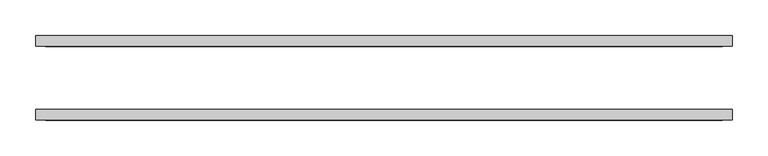
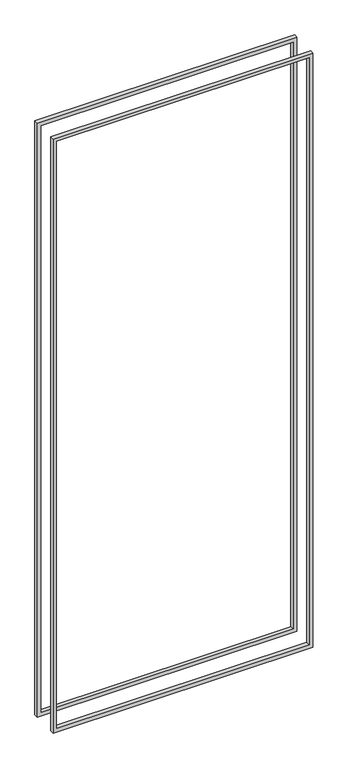
"""IFC4 building model written with IfcOpenShell, lengths in millimetres: proxy geometry."""

from ifc_helpers import new_model, si_unit, frame, origin, place, context, project, spatial, polyline, outline, extrude, source, transform, mapped, element, save


def generic_models_06b75489(model_context):
    return source(origin(), model_context, "Body", "SweptSolid", [
        extrude(outline(polyline([(2392.3625, -649.2875), (26.9875, -649.2875), (26.9875, 328.6125), (2392.3625, 328.6125), (2392.3625, -649.2875)]), holes=[polyline([(2378.075, 314.325), (41.275, 314.325), (41.275, -635.0), (2378.075, -635.0), (2378.075, 314.325)])]), frame((0.0, -59.53125, 0.0), z_axis=(0.0, 1.0, 0.0), x_axis=(0.0, 0.0, 1.0)), (0.0, 0.0, 1.0), 15.08125),
        extrude(outline(polyline([(26.9875, 328.6125), (2392.3625, 328.6125), (2392.3625, -649.2875), (26.9875, -649.2875), (26.9875, 328.6125)]), holes=[polyline([(41.275, -635.0), (2378.075, -635.0), (2378.075, 314.325), (41.275, 314.325), (41.275, -635.0)])]), frame((0.0, 44.45, 0.0), z_axis=(0.0, 1.0, 0.0), x_axis=(0.0, 0.0, 1.0)), (0.0, 0.0, 1.0), 15.08125),
    ])


if __name__ == "__main__":
    model = new_model("IFC4")
    model_context = context("Model", 3, world=origin())
    ifc_project = project(units=[si_unit("LENGTHUNIT", "METRE", prefix="MILLI")], contexts=[model_context])
    site = spatial("IfcSite", under=ifc_project)
    building = spatial("IfcBuilding", under=site)
    placement = place(None, origin())
    generic_models_shape = generic_models_06b75489(model_context)
    element("IfcBuildingElementProxy", 1, Name="Generic Models", at=placement, inside=building, context=model_context, shape_type="MappedRepresentation", body=[
        mapped(generic_models_shape, transform((0.0, 0.0, 0.0), x_axis=(1.0, 0.0, 0.0), y_axis=(0.0, 1.0, 0.0), z_axis=(0.0, 0.0, 1.0))),
    ])
    save(model, "model.ifc")
